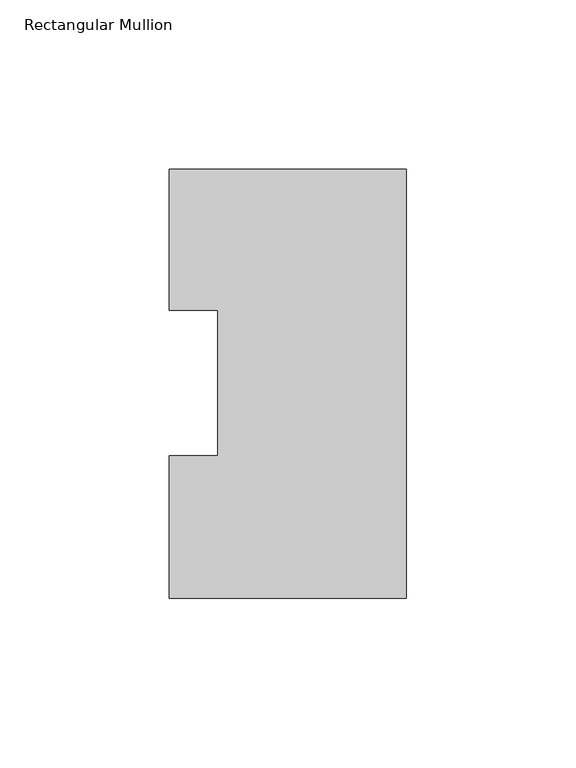
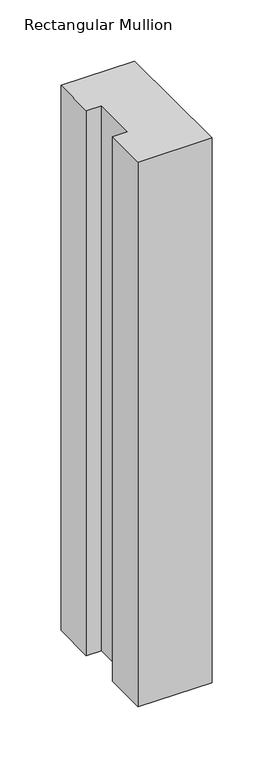
"""IFC4 building model written with IfcOpenShell, lengths in millimetres: member geometry, Rectangular Mullion."""

from ifc_helpers import new_model, si_unit, frame, origin, place, context, project, spatial, polyline, outline, extrude, source, transform, mapped, element, save


def rectangular_mullion_48b8f419(model_context):
    return source(origin(), model_context, "Body", "SweptSolid", [
        extrude(outline(polyline([(-55.5625, 91.7773438), (-69.85, 91.7773438), (-69.85, 133.3825438), (0.0, 133.3825438), (0.0, 6.8905438), (-69.85, 6.8905438), (-69.85, 48.9275438), (-55.5625, 48.9275438), (-55.5625, 91.7773438)])), frame((0.0, 0.0, -545.0099167), z_axis=(0.0, 0.0, 1.0), x_axis=(1.0, 0.0, 0.0)), (0.0, 0.0, 1.0), 545.0099167),
    ])


if __name__ == "__main__":
    model = new_model("IFC4")
    model_context = context("Model", 3, world=origin())
    ifc_project = project(units=[si_unit("LENGTHUNIT", "METRE", prefix="MILLI")], contexts=[model_context])
    site = spatial("IfcSite", under=ifc_project)
    building = spatial("IfcBuilding", under=site)
    placement = place(None, origin())
    rectangular_mullion_shape = rectangular_mullion_48b8f419(model_context)
    element("IfcMember", 1, ObjectType="Rectangular Mullion", at=placement, inside=building, context=model_context, shape_type="MappedRepresentation", body=[
        mapped(rectangular_mullion_shape, transform((0.0, 0.0, 0.0), x_axis=(1.0, 0.0, 0.0), y_axis=(0.0, 1.0, 0.0), z_axis=(0.0, 0.0, 1.0))),
    ])
    save(model, "model.ifc")
